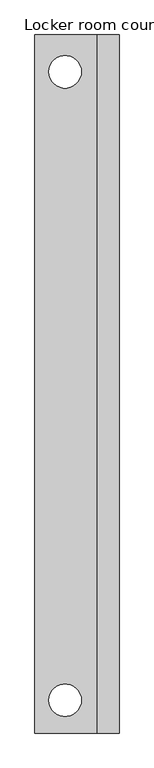
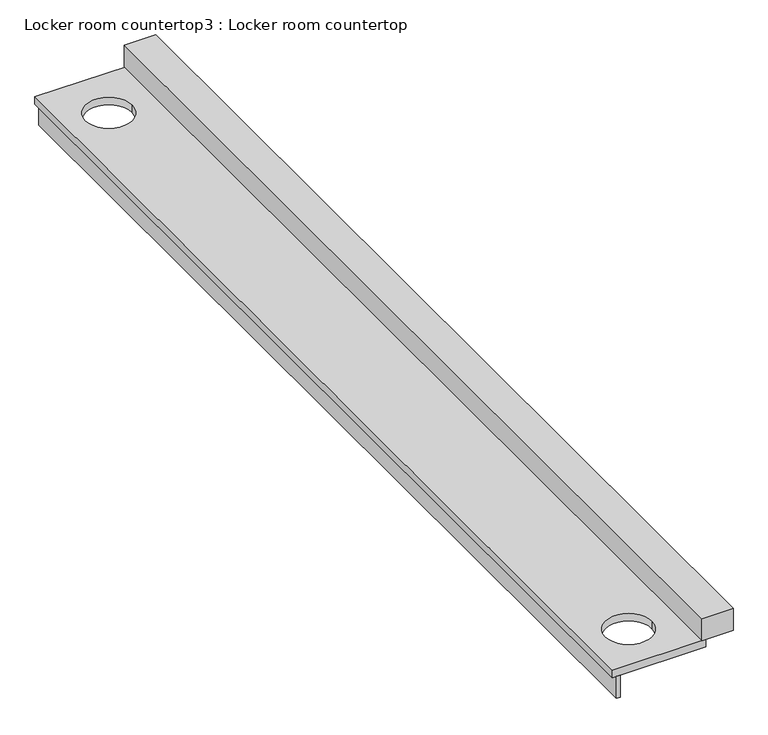
"""IFC4 building model written with IfcOpenShell, lengths in millimetres: furniture geometry, Locker room countertop3 : Locker room countertop."""

from ifc_helpers import new_model, si_unit, point, frame, frame_2d, origin, place, context, project, spatial, polyline, circle_curve, trimmed, segment, composite_curve, outline, extrude, source, transform, mapped, element, save


def locker_room_countertop3_locker_room_countertop_5351dbcb(model_context):
    return source(origin(), model_context, "Body", "SweptSolid", [
        extrude(outline(polyline([(463192.6004676, -326850.1983948), (463192.6004676, -320318.6205223), (463218.0004676, -320318.6205223), (463218.0004676, -326850.1983948), (463192.6004676, -326850.1983948)])), frame((0.0, 0.0, 660.4), z_axis=(0.0, 0.0, 1.0), x_axis=(1.0, 0.0, 0.0)), (0.0, 0.0, 1.0), 152.4),
        extrude(outline(polyline([(463751.4004676, -320318.6205223), (463954.6004676, -320318.6205223), (463954.6004676, -326850.1983948), (463751.4004676, -326850.1983948), (463751.4004676, -320318.6205223)])), frame((0.0, 0.0, 863.6), z_axis=(0.0, 0.0, 1.0), x_axis=(1.0, 0.0, 0.0)), (0.0, 0.0, 1.0), 152.4),
        extrude(outline(polyline([(463167.2004676, -320318.6205223), (463776.8004676, -320318.6205223), (463776.8004676, -326850.1983948), (463167.2004676, -326850.1983948), (463167.2004676, -320318.6205223)]), holes=[composite_curve([segment(trimmed(circle_curve(frame_2d((463449.3892157, -320664.2700389)), 152.4), [point((463601.7892157, -320664.2700389))], [point((463296.9892157, -320664.2700389))], True, "CARTESIAN"), True, "CONTINUOUS"), segment(trimmed(circle_curve(frame_2d((463449.3892157, -320664.2700389)), 152.4), [point((463296.9892157, -320664.2700389))], [point((463601.7892157, -320664.2700389))], True, "CARTESIAN"), True, "CONTINUOUS")], self_intersect=False), composite_curve([segment(trimmed(circle_curve(frame_2d((463449.3892157, -326543.2817281)), 152.4), [point((463601.7892157, -326543.2817281))], [point((463296.9892157, -326543.2817281))], True, "CARTESIAN"), True, "CONTINUOUS"), segment(trimmed(circle_curve(frame_2d((463449.3892157, -326543.2817281)), 152.4), [point((463296.9892157, -326543.2817281))], [point((463601.7892157, -326543.2817281))], True, "CARTESIAN"), True, "CONTINUOUS")], self_intersect=False)]), frame((0.0, 0.0, 812.8), z_axis=(0.0, 0.0, 1.0), x_axis=(1.0, 0.0, 0.0)), (0.0, 0.0, 1.0), 50.8),
    ])


if __name__ == "__main__":
    model = new_model("IFC4")
    model_context = context("Model", 3, world=origin())
    ifc_project = project(units=[si_unit("LENGTHUNIT", "METRE", prefix="MILLI")], contexts=[model_context])
    site = spatial("IfcSite", under=ifc_project)
    building = spatial("IfcBuilding", under=site)
    placement = place(None, origin())
    locker_room_countertop3_locker_room_countertop_shape = locker_room_countertop3_locker_room_countertop_5351dbcb(model_context)
    element("IfcFurniture", 1, ObjectType="Locker room countertop3 : Locker room countertop", at=placement, inside=building, context=model_context, shape_type="MappedRepresentation", body=[
        mapped(locker_room_countertop3_locker_room_countertop_shape, transform((0.0, 0.0, 0.0), x_axis=(1.0, 0.0, 0.0), y_axis=(0.0, 1.0, 0.0), z_axis=(0.0, 0.0, 1.0))),
    ])
    save(model, "model.ifc")
